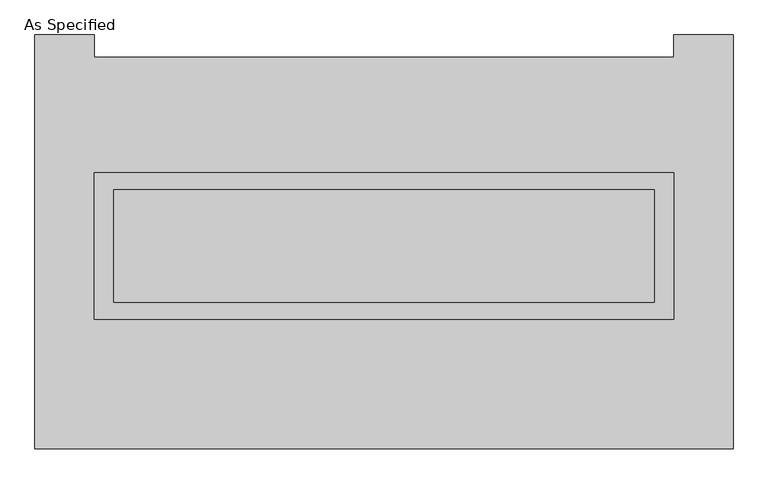
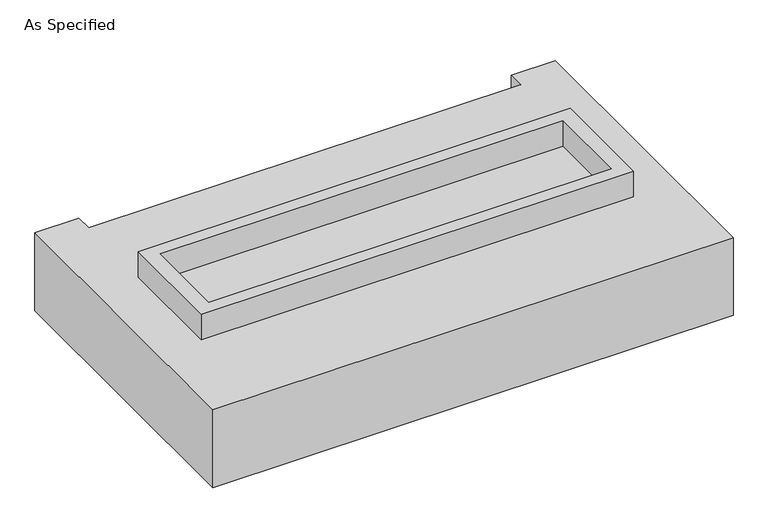
"""IFC4 building model written with IfcOpenShell, lengths in millimetres: proxy geometry, As Specified."""

from ifc_helpers import new_model, si_unit, frame, origin, place, context, project, spatial, polyline, outline, extrude, faceted_brep, source, transform, mapped, element, save


def as_specified_03eb617a(model_context):
    return source(origin(), model_context, "Body", "SolidModel", [
        extrude(outline(polyline([(1308.1, 361.95), (1308.1, -298.45), (-1308.1, -298.45), (-1308.1, 361.95), (1308.1, 361.95)]), holes=[polyline([(1219.2, 285.75), (-1219.2, 285.75), (-1219.2, -222.25), (1219.2, -222.25), (1219.2, 285.75)])]), frame((0.0, 0.0, -25.4), z_axis=(0.0, 0.0, 1.0), x_axis=(1.0, 0.0, 0.0)), (0.0, 0.0, 1.0), 165.1),
        extrude(outline(polyline([(1219.2, 285.75), (1219.2, -222.25), (-1219.2, -222.25), (-1219.2, 285.75), (1219.2, 285.75)])), frame((0.0, 0.0, -30.3609375), z_axis=(0.0, 0.0, 1.0), x_axis=(1.0, 0.0, 0.0)), (0.0, 0.0, 1.0), 4.9609375),
        faceted_brep([(1574.8, -882.65, -523.875), (-1574.8, -882.65, -523.875), (-1574.8, 984.25, -523.875), (-1308.1, 984.25, -523.875), (-1308.1, 882.65, -523.875), (1308.1, 882.65, -523.875), (1308.1, 984.25, -523.875), (1574.8, 984.25, -523.875), (-1574.8, -882.65, -25.4), (1574.8, -882.65, -25.4), (1574.8, 984.25, -25.4), (1308.1, 984.25, -25.4), (1308.1, 882.65, -25.4), (-1308.1, 882.65, -25.4), (-1308.1, 984.25, -25.4), (-1574.8, 984.25, -25.4), (-1308.1, -298.45, -25.4), (-1308.1, 361.95, -25.4), (1308.1, 361.95, -25.4), (1308.1, -298.45, -25.4), (1308.1, 361.95, -498.475), (-1308.1, 361.95, -498.475), (-1308.1, -298.45, -498.475), (1308.1, -298.45, -498.475)], [[[0, 1, 2, 3, 4, 5, 6, 7]], [[8, 9, 10, 11, 12, 13, 14, 15], [16, 17, 18, 19]], [[4, 13, 12, 5]], [[1, 8, 15, 2]], [[10, 9, 0, 7]], [[20, 21, 22, 23]], [[22, 21, 17, 16]], [[21, 20, 18, 17]], [[20, 23, 19, 18]], [[16, 19, 23, 22]], [[1, 0, 9, 8]], [[4, 3, 14, 13]], [[3, 2, 15, 14]], [[6, 5, 12, 11]], [[7, 6, 11, 10]]]),
    ])


if __name__ == "__main__":
    model = new_model("IFC4")
    model_context = context("Model", 3, world=origin())
    ifc_project = project(units=[si_unit("LENGTHUNIT", "METRE", prefix="MILLI")], contexts=[model_context])
    site = spatial("IfcSite", under=ifc_project)
    building = spatial("IfcBuilding", under=site)
    placement = place(None, origin())
    as_specified_shape = as_specified_03eb617a(model_context)
    element("IfcBuildingElementProxy", 1, Name="As Specified", ObjectType="As Specified", at=placement, inside=building, context=model_context, shape_type="MappedRepresentation", body=[
        mapped(as_specified_shape, transform((0.0, 0.0, 0.0), x_axis=(1.0, 0.0, 0.0), y_axis=(0.0, 1.0, 0.0), z_axis=(0.0, 0.0, 1.0))),
    ])
    save(model, "model.ifc")
